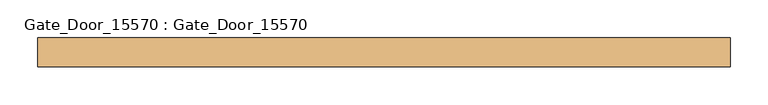
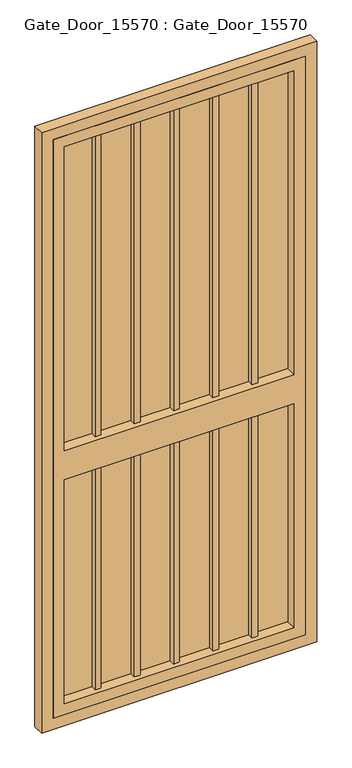
"""IFC4 building model written with IfcOpenShell, lengths in millimetres: door geometry, Gate_Door_15570 : Gate_Door_15570."""

from ifc_helpers import new_model, si_unit, frame, origin, place, context, project, spatial, polyline, outline, extrude, source, transform, mapped, element, save


def gate_door_15570_gate_door_15570_65f49c93(model_context):
    return source(origin(), model_context, "Body", "SweptSolid", [
        extrude(outline(polyline([(727.075, -22.225), (708.025, -22.225), (708.025, -3.175), (727.075, -3.175), (727.075, -22.225)])), frame((0.0, 0.0, 76.2), z_axis=(0.0, 0.0, 1.0), x_axis=(1.0, 0.0, 0.0)), (0.0, 0.0, 1.0), 787.4),
        extrude(outline(polyline([(596.9, -22.225), (577.85, -22.225), (577.85, -3.175), (596.9, -3.175), (596.9, -22.225)])), frame((0.0, 0.0, 76.2), z_axis=(0.0, 0.0, 1.0), x_axis=(1.0, 0.0, 0.0)), (0.0, 0.0, 1.0), 787.4),
        extrude(outline(polyline([(466.725, -22.225), (447.675, -22.225), (447.675, -3.175), (466.725, -3.175), (466.725, -22.225)])), frame((0.0, 0.0, 76.2), z_axis=(0.0, 0.0, 1.0), x_axis=(1.0, 0.0, 0.0)), (0.0, 0.0, 1.0), 787.4),
        extrude(outline(polyline([(336.55, -22.225), (317.5, -22.225), (317.5, -3.175), (336.55, -3.175), (336.55, -22.225)])), frame((0.0, 0.0, 76.2), z_axis=(0.0, 0.0, 1.0), x_axis=(1.0, 0.0, 0.0)), (0.0, 0.0, 1.0), 787.4),
        extrude(outline(polyline([(727.075, -22.225), (708.025, -22.225), (708.025, -3.175), (727.075, -3.175), (727.075, -22.225)])), frame((0.0, 0.0, 965.2), z_axis=(0.0, 0.0, 1.0), x_axis=(1.0, 0.0, 0.0)), (0.0, 0.0, 1.0), 1066.8),
        extrude(outline(polyline([(596.9, -22.225), (577.85, -22.225), (577.85, -3.175), (596.9, -3.175), (596.9, -22.225)])), frame((0.0, 0.0, 965.2), z_axis=(0.0, 0.0, 1.0), x_axis=(1.0, 0.0, 0.0)), (0.0, 0.0, 1.0), 1066.8),
        extrude(outline(polyline([(466.725, -22.225), (447.675, -22.225), (447.675, -3.175), (466.725, -3.175), (466.725, -22.225)])), frame((0.0, 0.0, 965.2), z_axis=(0.0, 0.0, 1.0), x_axis=(1.0, 0.0, 0.0)), (0.0, 0.0, 1.0), 1066.8),
        extrude(outline(polyline([(336.55, -22.225), (317.5, -22.225), (317.5, -3.175), (336.55, -3.175), (336.55, -22.225)])), frame((0.0, 0.0, 965.2), z_axis=(0.0, 0.0, 1.0), x_axis=(1.0, 0.0, 0.0)), (0.0, 0.0, 1.0), 1066.8),
        extrude(outline(polyline([(206.375, -22.225), (187.325, -22.225), (187.325, -3.175), (206.375, -3.175), (206.375, -22.225)])), frame((0.0, 0.0, 76.2), z_axis=(0.0, 0.0, 1.0), x_axis=(1.0, 0.0, 0.0)), (0.0, 0.0, 1.0), 787.4),
        extrude(outline(polyline([(206.375, -22.225), (187.325, -22.225), (187.325, -3.175), (206.375, -3.175), (206.375, -22.225)])), frame((0.0, 0.0, 965.2), z_axis=(0.0, 0.0, 1.0), x_axis=(1.0, 0.0, 0.0)), (0.0, 0.0, 1.0), 1066.8),
        extrude(outline(polyline([(2070.1, 876.3), (2070.1, 38.1), (38.1, 38.1), (38.1, 876.3), (2070.1, 876.3)]), holes=[polyline([(2032.0, 838.2), (965.2, 838.2), (965.2, 76.2), (2032.0, 76.2), (2032.0, 838.2)]), polyline([(863.6, 76.2), (863.6, 838.2), (76.2, 838.2), (76.2, 76.2), (863.6, 76.2)])]), frame((0.0, -38.1, 0.0), z_axis=(0.0, 1.0, 0.0), x_axis=(0.0, 0.0, 1.0)), (0.0, 0.0, 1.0), 38.1),
        extrude(outline(polyline([(2108.2, 914.4), (2108.2, 0.0), (0.0, 0.0), (0.0, 914.4), (2108.2, 914.4)]), holes=[polyline([(2070.1, 876.3), (38.1, 876.3), (38.1, 38.1), (2070.1, 38.1), (2070.1, 876.3)])]), frame((0.0, -38.1, 0.0), z_axis=(0.0, 1.0, 0.0), x_axis=(0.0, 0.0, 1.0)), (0.0, 0.0, 1.0), 38.1),
        extrude(outline(polyline([(838.2, -3.175), (76.2, -3.175), (76.2, 0.0), (838.2, 0.0), (838.2, -3.175)])), frame((0.0, 0.0, 965.2), z_axis=(0.0, 0.0, 1.0), x_axis=(1.0, 0.0, 0.0)), (0.0, 0.0, 1.0), 1066.8),
        extrude(outline(polyline([(838.2, -3.175), (76.2, -3.175), (76.2, 0.0), (838.2, 0.0), (838.2, -3.175)])), frame((0.0, 0.0, 76.2), z_axis=(0.0, 0.0, 1.0), x_axis=(1.0, 0.0, 0.0)), (0.0, 0.0, 1.0), 787.4),
    ])


if __name__ == "__main__":
    model = new_model("IFC4")
    model_context = context("Model", 3, world=origin())
    ifc_project = project(units=[si_unit("LENGTHUNIT", "METRE", prefix="MILLI")], contexts=[model_context])
    site = spatial("IfcSite", under=ifc_project)
    building = spatial("IfcBuilding", under=site)
    placement = place(None, origin())
    gate_door_15570_gate_door_15570_shape = gate_door_15570_gate_door_15570_65f49c93(model_context)
    element("IfcDoor", 1, ObjectType="Gate_Door_15570 : Gate_Door_15570", at=placement, inside=building, context=model_context, shape_type="MappedRepresentation", body=[
        mapped(gate_door_15570_gate_door_15570_shape, transform((0.0, 0.0, 0.0), x_axis=(1.0, 0.0, 0.0), y_axis=(0.0, 1.0, 0.0), z_axis=(0.0, 0.0, 1.0))),
    ])
    save(model, "model.ifc")
